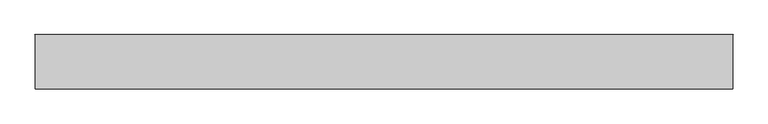
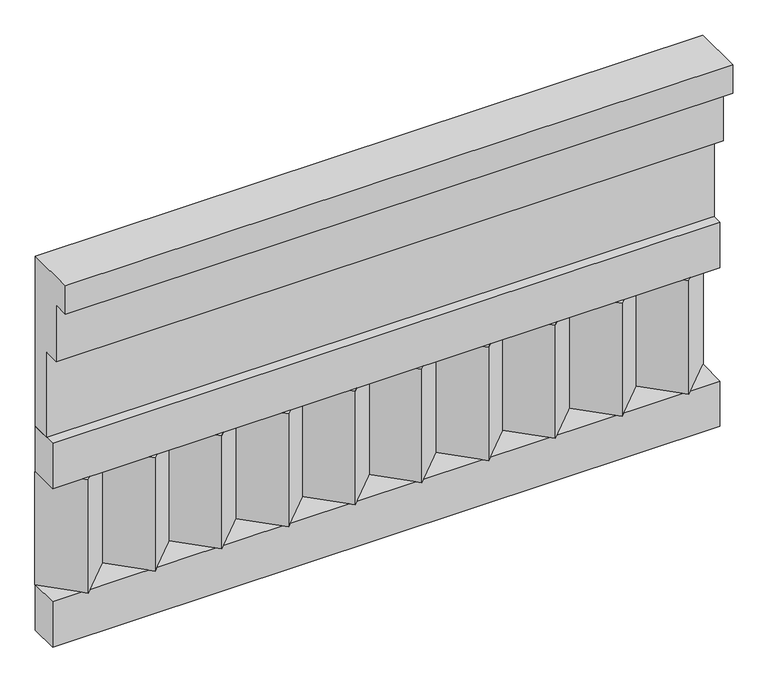
"""IFC4 building model written with IfcOpenShell, lengths in millimetres: railing geometry."""

import ifcopenshell
import ifcopenshell.guid

model = None  # the IFC model being written
_history = None  # IfcOwnerHistory: only IFC2X3 demands one
_inside = {}  # id of a spatial element -> (the spatial element, [elements in it])
_under = {}  # id of a project, library or spatial element -> (it, [spatial elements below it])
_declared = {}  # id of a project -> (the project, [libraries it declares])
_typed = {}  # id of a type object -> (the type object, [elements of that type])
_made_of = {}  # id of a material, layer set ... -> (it, [elements and type objects made of it])


def new_model(schema):
    """Start an empty IFC model of exactly this schema.

    Asked for "IFC4X3", IfcOpenShell would pick the latest addendum, in which some entities
    have other attributes; the version numbers below select the first issue.
    IFC2X3 requires an IfcOwnerHistory on every rooted entity: one is made here for all.
    """
    global model, _history
    if schema == "IFC4X3":
        model = ifcopenshell.file(schema_version=(4, 3, 0, 0))
    else:
        model = ifcopenshell.file(schema=schema)
    _inside.clear()
    _under.clear()
    _declared.clear()
    _typed.clear()
    _made_of.clear()
    _history = None
    if model.schema == "IFC2X3":
        org = make("IfcOrganization", Name="unknown")
        user = make(
            "IfcPersonAndOrganization",
            ThePerson=make("IfcPerson", FamilyName="unknown"),
            TheOrganization=org,
        )
        app = make(
            "IfcApplication",
            ApplicationDeveloper=org,
            Version="unknown",
            ApplicationFullName="unknown",
            ApplicationIdentifier="unknown",
        )
        _history = make(
            "IfcOwnerHistory",
            OwningUser=user,
            OwningApplication=app,
            ChangeAction="ADDED",
            CreationDate=0,
        )
    return model


def make(cls, **values):
    """One entity of the class cls with the attributes given. An attribute that is None is left unset."""
    return model.create_entity(
        cls, **{name: value for name, value in values.items() if value is not None}
    )


def rooted(cls, **values):
    """An entity with a GlobalId (a new one), such as an element, a storey or a relation."""
    return make(cls, GlobalId=ifcopenshell.guid.new(), OwnerHistory=_history, **values)


def si_unit(unit_type, name, prefix=None):
    """IfcSIUnit, for example si_unit("LENGTHUNIT", "METRE", prefix="MILLI")."""
    return make("IfcSIUnit", UnitType=unit_type, Prefix=prefix, Name=name)


def assignment(units):
    """IfcUnitAssignment: the units of a project."""
    return None if units is None else make("IfcUnitAssignment", Units=units)


def point(xyz):
    """IfcCartesianPoint."""
    return None if xyz is None else make("IfcCartesianPoint", Coordinates=xyz)


def direction(xyz):
    """IfcDirection."""
    return None if xyz is None else make("IfcDirection", DirectionRatios=xyz)


def frame(location, z_axis=None, x_axis=None):
    """IfcAxis2Placement3D, a coordinate frame: its origin and axes. An axis left out is left unset."""
    return make(
        "IfcAxis2Placement3D",
        Location=point(location),
        Axis=direction(z_axis),
        RefDirection=direction(x_axis),
    )


def origin():
    """The frame at (0, 0, 0) with its axes left unset."""
    return frame((0.0, 0.0, 0.0))


def place(relative_to, where):
    """IfcLocalPlacement: puts the frame where relative to a parent placement (None: the world)."""
    return make(
        "IfcLocalPlacement", PlacementRelTo=relative_to, RelativePlacement=where
    )


def context(
    kind, dimensions, precision=None, world=None, true_north=None, identifier=None
):
    """IfcGeometricRepresentationContext, for example the 3D "Model" context."""
    return make(
        "IfcGeometricRepresentationContext",
        ContextIdentifier=identifier,
        ContextType=kind,
        CoordinateSpaceDimension=dimensions,
        Precision=precision,
        WorldCoordinateSystem=world,
        TrueNorth=true_north,
    )


def project(units=None, contexts=None):
    """IfcProject with its units and contexts."""
    return rooted(
        "IfcProject",
        Name="project",
        RepresentationContexts=contexts,
        UnitsInContext=assignment(units),
    )


def spatial(cls, under=None, at=None, **own):
    """A site, building, storey or space (cls), placed at a placement, below another one or the project."""
    s = rooted(cls, ObjectPlacement=at, **own)
    if under is not None:
        _under.setdefault(under.id(), (under, []))[1].append(s)
    return s


def polyline(points):
    """IfcPolyline through the points."""
    return make("IfcPolyline", Points=[point(p) for p in points])


def outline(outer, holes=None, kind="AREA"):
    """IfcArbitraryClosedProfileDef: a profile drawn as a closed curve; with holes, ...WithVoids."""
    if holes is None:
        return make("IfcArbitraryClosedProfileDef", ProfileType=kind, OuterCurve=outer)
    return make(
        "IfcArbitraryProfileDefWithVoids",
        ProfileType=kind,
        OuterCurve=outer,
        InnerCurves=holes,
    )


def extrude(swept, where, along, depth):
    """IfcExtrudedAreaSolid: the profile swept, set in the frame where, extruded along a direction by depth."""
    return make(
        "IfcExtrudedAreaSolid",
        SweptArea=swept,
        Position=where,
        ExtrudedDirection=direction(along),
        Depth=depth,
    )


def shape(context_of_items, identifier, shape_type, items):
    """IfcShapeRepresentation: the items that make up one representation, for example the "Body"."""
    return make(
        "IfcShapeRepresentation",
        ContextOfItems=context_of_items,
        RepresentationIdentifier=identifier,
        RepresentationType=shape_type,
        Items=items,
    )


def source(mapping_origin, context_of_items, identifier, shape_type, items):
    """IfcRepresentationMap: a shape defined once, which mapped items show again and again."""
    return make(
        "IfcRepresentationMap",
        MappingOrigin=mapping_origin,
        MappedRepresentation=shape(context_of_items, identifier, shape_type, items),
    )


def transform(
    local_origin,
    x_axis=None,
    y_axis=None,
    z_axis=None,
    scale=None,
    scale2=None,
    scale3=None,
    uniform=True,
):
    """IfcCartesianTransformationOperator3D, or its non-uniform kind. x_axis, y_axis, z_axis: its Axis1, 2, 3."""
    if uniform:
        return make(
            "IfcCartesianTransformationOperator3D",
            Axis1=direction(x_axis),
            Axis2=direction(y_axis),
            LocalOrigin=point(local_origin),
            Scale=scale,
            Axis3=direction(z_axis),
        )
    return make(
        "IfcCartesianTransformationOperator3DnonUniform",
        Axis1=direction(x_axis),
        Axis2=direction(y_axis),
        LocalOrigin=point(local_origin),
        Scale=scale,
        Axis3=direction(z_axis),
        Scale2=scale2,
        Scale3=scale3,
    )


def mapped(mapping_source, mapping_target):
    """IfcMappedItem: shows the shape of a source again, moved by a transform."""
    return make(
        "IfcMappedItem", MappingSource=mapping_source, MappingTarget=mapping_target
    )


def made_of(thing, what):
    """Note that an element or type object is made of a material, layer set ...; save() writes the relation."""
    if what is not None:
        _made_of.setdefault(what.id(), (what, []))[1].append(thing)
    return thing


def element(
    cls,
    number,
    at=None,
    inside=None,
    cuts=None,
    type_object=None,
    material=None,
    context=None,
    identifier="Body",
    shape_type=None,
    held_by="IfcProductDefinitionShape",
    body=None,
    shapes=None,
    **own,
):
    """One element of the class cls, such as IfcWall. Its Tag is "e" and its number.

    at: its placement. inside: the storey or other place that contains it. cuts: it is an
    opening in that element (IfcRelVoidsElement). A single representation is given by context,
    identifier, shape_type and body (its items); several are given by shapes. held_by: the class
    of the entity that holds the representations. save() writes the other relations.
    """
    e = rooted(cls, Tag="e%d" % number, ObjectPlacement=at, **own)
    if body is not None:
        shapes = [shape(context, identifier, shape_type, body)]
    if shapes is not None:
        e.Representation = make(held_by, Representations=shapes)
    if inside is not None:
        _inside.setdefault(inside.id(), (inside, []))[1].append(e)
    if cuts is not None:
        rooted(
            "IfcRelVoidsElement", RelatingBuildingElement=cuts, RelatedOpeningElement=e
        )
    if type_object is not None:
        _typed.setdefault(type_object.id(), (type_object, []))[1].append(e)
    return made_of(e, material)


def aggregate(whole, parts):
    """IfcRelAggregates: a whole, such as a stair, and the parts it consists of."""
    return rooted("IfcRelAggregates", RelatingObject=whole, RelatedObjects=parts)


def save(model, path):
    """Write the relations noted so far, then the file.

    IfcRelAggregates (storeys below a building ...), IfcRelContainedInSpatialStructure (elements
    in a storey), IfcRelDefinesByType, IfcRelAssociatesMaterial and IfcRelDeclares: one each for
    every whole, place, type object, material and project.
    """
    for whole, parts in _under.values():
        aggregate(whole, parts)
    for where, things in _inside.values():
        rooted(
            "IfcRelContainedInSpatialStructure",
            RelatedElements=things,
            RelatingStructure=where,
        )
    for kind, things in _typed.values():
        rooted("IfcRelDefinesByType", RelatedObjects=things, RelatingType=kind)
    for what, things in _made_of.values():
        rooted("IfcRelAssociatesMaterial", RelatedObjects=things, RelatingMaterial=what)
    for by, libraries in _declared.values():
        rooted("IfcRelDeclares", RelatingContext=by, RelatedDefinitions=libraries)
    model.write(path)


def railing_8748931d(model_context):
    return source(origin(), model_context, "Body", "SweptSolid", [
        extrude(outline(polyline([(-16816.8920513, 15200.0), (-16816.8920513, 14750.0), (-16866.8920513, 14750.0), (-16866.8920513, 14975.0), (-16906.8920513, 14975.0), (-16906.8920513, 15125.0), (-16946.8920513, 15125.0), (-16946.8920513, 15200.0), (-16816.8920513, 15200.0)])), frame((39990.0112841, 0.0, 0.0), z_axis=(1.0, 0.0, 0.0), x_axis=(0.0, 1.0, 0.0)), (0.0, 0.0, 1.0), 1670.0),
        extrude(outline(polyline([(39990.0112841, -16891.8920513), (39990.0112841, -16816.8920513), (41660.0112841, -16816.8920513), (41660.0112841, -16891.8920513), (39990.0112841, -16891.8920513)])), frame((0.0, 0.0, 14630.0), z_axis=(0.0, 0.0, 1.0), x_axis=(1.0, 0.0, 0.0)), (0.0, 0.0, 1.0), 120.0),
        extrude(outline(polyline([(39990.0112841, -16891.8920513), (39990.0112841, -16816.8920513), (41660.0112841, -16816.8920513), (41660.0112841, -16891.8920513), (39990.0112841, -16891.8920513)])), frame((0.0, 0.0, 14210.0), z_axis=(0.0, 0.0, 1.0), x_axis=(1.0, 0.0, 0.0)), (0.0, 0.0, 1.0), 120.0),
        extrude(outline(polyline([(41576.5112841, -16901.7448651), (41491.6584704, -16816.8920513), (41661.3640978, -16816.8920513), (41576.5112841, -16901.7448651)])), frame((0.0, 0.0, 14330.0), z_axis=(0.0, 0.0, 1.0), x_axis=(1.0, 0.0, 0.0)), (0.0, 0.0, 1.0), 300.0),
        extrude(outline(polyline([(41409.5112841, -16901.7448651), (41324.6584704, -16816.8920513), (41494.3640978, -16816.8920513), (41409.5112841, -16901.7448651)])), frame((0.0, 0.0, 14330.0), z_axis=(0.0, 0.0, 1.0), x_axis=(1.0, 0.0, 0.0)), (0.0, 0.0, 1.0), 300.0),
        extrude(outline(polyline([(41242.5112841, -16901.7448651), (41157.6584704, -16816.8920513), (41327.3640978, -16816.8920513), (41242.5112841, -16901.7448651)])), frame((0.0, 0.0, 14330.0), z_axis=(0.0, 0.0, 1.0), x_axis=(1.0, 0.0, 0.0)), (0.0, 0.0, 1.0), 300.0),
        extrude(outline(polyline([(41075.5112841, -16901.7448651), (40990.6584704, -16816.8920513), (41160.3640978, -16816.8920513), (41075.5112841, -16901.7448651)])), frame((0.0, 0.0, 14330.0), z_axis=(0.0, 0.0, 1.0), x_axis=(1.0, 0.0, 0.0)), (0.0, 0.0, 1.0), 300.0),
        extrude(outline(polyline([(40908.5112841, -16901.7448651), (40823.6584704, -16816.8920513), (40993.3640978, -16816.8920513), (40908.5112841, -16901.7448651)])), frame((0.0, 0.0, 14330.0), z_axis=(0.0, 0.0, 1.0), x_axis=(1.0, 0.0, 0.0)), (0.0, 0.0, 1.0), 300.0),
        extrude(outline(polyline([(40741.5112841, -16901.7448651), (40656.6584704, -16816.8920513), (40826.3640978, -16816.8920513), (40741.5112841, -16901.7448651)])), frame((0.0, 0.0, 14330.0), z_axis=(0.0, 0.0, 1.0), x_axis=(1.0, 0.0, 0.0)), (0.0, 0.0, 1.0), 300.0),
        extrude(outline(polyline([(40574.5112841, -16901.7448651), (40489.6584704, -16816.8920513), (40659.3640978, -16816.8920513), (40574.5112841, -16901.7448651)])), frame((0.0, 0.0, 14330.0), z_axis=(0.0, 0.0, 1.0), x_axis=(1.0, 0.0, 0.0)), (0.0, 0.0, 1.0), 300.0),
        extrude(outline(polyline([(40407.5112841, -16901.7448651), (40322.6584704, -16816.8920513), (40492.3640978, -16816.8920513), (40407.5112841, -16901.7448651)])), frame((0.0, 0.0, 14330.0), z_axis=(0.0, 0.0, 1.0), x_axis=(1.0, 0.0, 0.0)), (0.0, 0.0, 1.0), 300.0),
        extrude(outline(polyline([(40240.5112841, -16901.7448651), (40155.6584704, -16816.8920513), (40325.3640978, -16816.8920513), (40240.5112841, -16901.7448651)])), frame((0.0, 0.0, 14330.0), z_axis=(0.0, 0.0, 1.0), x_axis=(1.0, 0.0, 0.0)), (0.0, 0.0, 1.0), 300.0),
        extrude(outline(polyline([(40073.5112841, -16901.7448651), (39988.6584704, -16816.8920513), (40158.3640978, -16816.8920513), (40073.5112841, -16901.7448651)])), frame((0.0, 0.0, 14330.0), z_axis=(0.0, 0.0, 1.0), x_axis=(1.0, 0.0, 0.0)), (0.0, 0.0, 1.0), 300.0),
    ])


if __name__ == "__main__":
    model = new_model("IFC4")
    model_context = context("Model", 3, world=origin())
    ifc_project = project(units=[si_unit("LENGTHUNIT", "METRE", prefix="MILLI")], contexts=[model_context])
    site = spatial("IfcSite", under=ifc_project)
    building = spatial("IfcBuilding", under=site)
    placement = place(None, origin())
    railing_shape = railing_8748931d(model_context)
    element("IfcRailing", 1, at=placement, inside=building, context=model_context, shape_type="MappedRepresentation", body=[
        mapped(railing_shape, transform((0.0, 0.0, 0.0), x_axis=(1.0, 0.0, 0.0), y_axis=(0.0, 1.0, 0.0), z_axis=(0.0, 0.0, 1.0))),
    ])
    save(model, "model.ifc")
